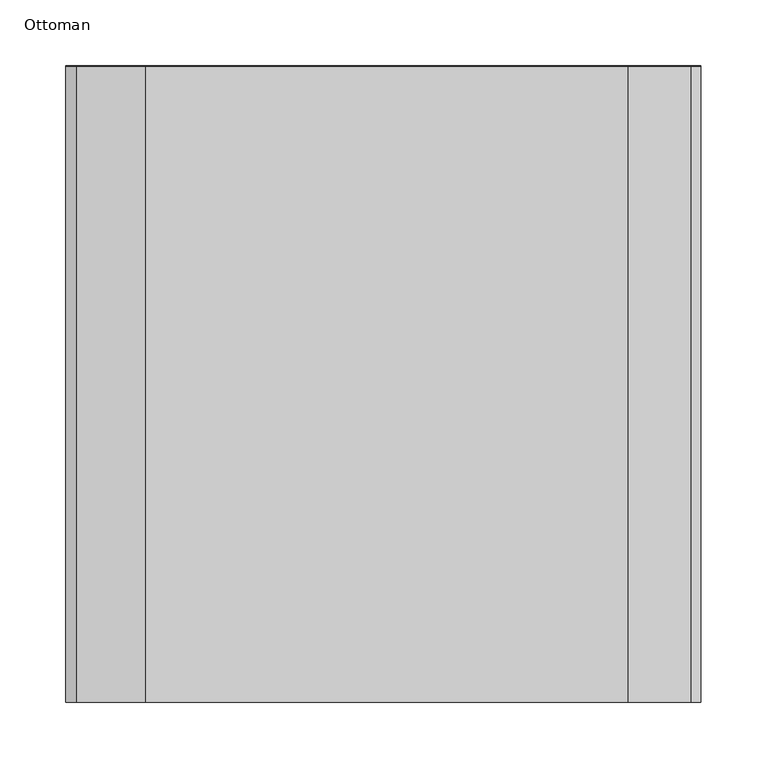
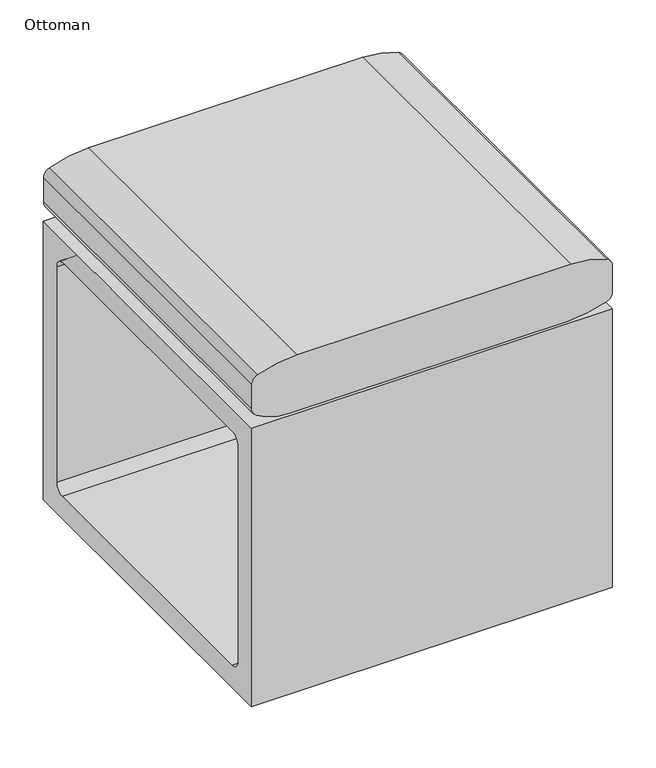
"""IFC4 building model written with IfcOpenShell, lengths in millimetres: furniture geometry, Ottoman."""

from ifc_helpers import new_model, si_unit, point, frame, frame_2d, origin, origin_with_axes, place, context, project, spatial, polyline, circle_curve, trimmed, segment, composite_curve, outline, extrude, source, transform, mapped, element, save


def ottoman_84f2c184(model_context):
    return source(origin(), model_context, "Body", "SweptSolid", [
        extrude(outline(polyline([(-250.825, 419.1), (231.775, 419.1), (231.775, 25.4000008), (-250.825, 25.4000008), (-250.825, 419.1)]), holes=[composite_curve([segment(trimmed(circle_curve(frame_2d((-206.8160349, 69.85)), 12.7), [point((-219.5160349, 69.85))], [point((-206.8160349, 57.15))], True, "CARTESIAN"), True, "CONTINUOUS"), segment(polyline([(-206.8160349, 57.15), (186.8839901, 57.15)]), True, "CONTINUOUS"), segment(trimmed(circle_curve(frame_2d((186.8839901, 69.85)), 12.7), [point((186.8839901, 57.15))], [point((199.5839901, 69.85))], True, "CARTESIAN"), True, "CONTINUOUS"), segment(polyline([(199.5839901, 69.85), (199.5839901, 374.6500121)]), True, "CONTINUOUS"), segment(trimmed(circle_curve(frame_2d((186.8839901, 374.6500121)), 12.7), [point((199.5839901, 374.6500121))], [point((186.8839901, 387.3500121))], True, "CARTESIAN"), True, "CONTINUOUS"), segment(polyline([(186.8839901, 387.3500121), (-206.8160349, 387.3500121)]), True, "CONTINUOUS"), segment(trimmed(circle_curve(frame_2d((-206.8160349, 374.6500121)), 12.7), [point((-206.8160349, 387.3500121))], [point((-219.5160349, 374.6500121))], True, "CARTESIAN"), True, "CONTINUOUS"), segment(polyline([(-219.5160349, 374.6500121), (-219.5160349, 69.85)]), True, "CONTINUOUS")], self_intersect=False)]), frame((-205.9579489, 0.0, 0.0), z_axis=(1.0, 0.0, 0.0), x_axis=(0.0, 1.0, 0.0)), (0.0, 0.0, 1.0), 482.6),
        extrude(outline(polyline([(-108.326708, -98.6993524), (-105.1516837, -101.8743494), (-105.1516837, -146.3243524), (-108.326708, -149.4993494), (-152.7766837, -149.4993494), (-155.951708, -146.3243524), (-155.951708, -101.8743494), (-152.7766837, -98.6993524), (-108.326708, -98.6993524)])), frame((0.0, 0.0, 3.1750001), z_axis=(0.0, 0.0, 1.0), x_axis=(1.0, 0.0, 0.0)), (0.0, 0.0, 1.0), 22.2250007),
        extrude(outline(polyline([(-105.1516837, -95.5243463), (-101.9766959, -98.6993524), (-101.9766959, -149.4993494), (-105.1516837, -152.6743554), (-155.951708, -152.6743554), (-159.1266959, -149.4993494), (-159.1266959, -98.6993524), (-155.951708, -95.5243463), (-105.1516837, -95.5243463)])), origin_with_axes(), (0.0, 0.0, 1.0), 3.1750001),
        extrude(outline(polyline([(-108.326708, 129.9006749), (-105.1516837, 126.7256779), (-105.1516837, 82.2756749), (-108.326708, 79.1006779), (-152.7766837, 79.1006779), (-155.951708, 82.2756749), (-155.951708, 126.7256779), (-152.7766837, 129.9006749), (-108.326708, 129.9006749)])), frame((0.0, 0.0, 3.1750001), z_axis=(0.0, 0.0, 1.0), x_axis=(1.0, 0.0, 0.0)), (0.0, 0.0, 1.0), 22.2250007),
        extrude(outline(polyline([(-105.1516837, 133.0756809), (-101.9766959, 129.9006749), (-101.9766959, 79.1006779), (-105.1516837, 75.9256718), (-155.951708, 75.9256718), (-159.1266959, 79.1006779), (-159.1266959, 129.9006749), (-155.951708, 133.0756809), (-105.1516837, 133.0756809)])), origin_with_axes(), (0.0, 0.0, 1.0), 3.1750001),
        extrude(outline(composite_curve([segment(trimmed(circle_curve(frame_2d((47118.7994971, 36.7520046)), 46695.9719496), [point((423.2259712, -156.1453888))], [point((423.1742839, 216.7027244))], False, "CARTESIAN"), True, "CONTINUOUS"), segment(trimmed(circle_curve(frame_2d((575.5731522, 216.1154256)), 152.4), [point((423.1742839, 216.7027244))], [point((432.4083736, 268.3610585))], False, "CARTESIAN"), True, "CONTINUOUS"), segment(trimmed(circle_curve(frame_2d((444.2455656, 264.0412699)), 12.6007813), [point((432.4083736, 268.3610585))], [point((444.2455656, 276.6420511))], False, "CARTESIAN"), True, "CONTINUOUS"), segment(polyline([(444.2455656, 276.6420511), (480.8494528, 276.6420511)]), True, "CONTINUOUS"), segment(trimmed(circle_curve(frame_2d((480.8494528, 264.0412699)), 12.6007813), [point((480.8494528, 276.6420511))], [point((492.4950973, 268.8536136))], False, "CARTESIAN"), True, "CONTINUOUS"), segment(trimmed(circle_curve(frame_2d((375.1216722, 220.351252)), 127.0), [point((492.4950973, 268.8536136))], [point((502.1206852, 220.8519524))], False, "CARTESIAN"), True, "CONTINUOUS"), segment(trimmed(circle_curve(frame_2d((-46193.4883538, 36.7520046)), 46695.9719496), [point((502.1206852, 220.8519524))], [point((502.128468, -145.3631921))], False, "CARTESIAN"), True, "CONTINUOUS"), segment(trimmed(circle_curve(frame_2d((349.729627, -144.7688291)), 152.4), [point((502.128468, -145.3631921))], [point((492.6287797, -197.7366701))], False, "CARTESIAN"), True, "CONTINUOUS"), segment(trimmed(circle_curve(frame_2d((480.8135502, -193.3571676)), 12.6007812), [point((492.6287797, -197.7366701))], [point((480.8135502, -205.9579489))], False, "CARTESIAN"), True, "CONTINUOUS"), segment(polyline([(480.8135502, -205.9579489), (446.7497, -205.9579489)]), True, "CONTINUOUS"), segment(trimmed(circle_curve(frame_2d((446.7497, -193.3571676)), 12.6007813), [point((446.7497, -205.9579489))], [point((436.1149821, -200.1160479))], False, "CARTESIAN"), True, "CONTINUOUS"), segment(trimmed(circle_curve(frame_2d((505.8373007, -155.804125)), 82.6120344), [point((436.1149821, -200.1160479))], [point((423.2259712, -156.1453888))], False, "CARTESIAN"), True, "CONTINUOUS")], self_intersect=False)), frame((0.0, -251.7070214, 0.0), z_axis=(0.0, 1.0, 0.0), x_axis=(0.0, 0.0, 1.0)), (0.0, 0.0, 1.0), 482.6),
        extrude(outline(polyline([(199.6482769, -98.6993524), (202.8233011, -101.8743494), (202.8233011, -146.3243524), (199.6482769, -149.4993494), (155.1983011, -149.4993494), (152.0232769, -146.3243524), (152.0232769, -101.8743494), (155.1983011, -98.6993524), (199.6482769, -98.6993524)])), frame((0.0, 0.0, 3.1750001), z_axis=(0.0, 0.0, 1.0), x_axis=(1.0, 0.0, 0.0)), (0.0, 0.0, 1.0), 22.2250007),
        extrude(outline(polyline([(202.8233011, -95.5243463), (205.998289, -98.6993524), (205.998289, -149.4993494), (202.8233011, -152.6743554), (152.0232769, -152.6743554), (148.848289, -149.4993494), (148.848289, -98.6993524), (152.0232769, -95.5243463), (202.8233011, -95.5243463)])), origin_with_axes(), (0.0, 0.0, 1.0), 3.1750001),
        extrude(outline(polyline([(199.6482769, 129.9006749), (202.8233011, 126.7256779), (202.8233011, 82.2756749), (199.6482769, 79.1006779), (155.1983011, 79.1006779), (152.0232769, 82.2756749), (152.0232769, 126.7256779), (155.1983011, 129.9006749), (199.6482769, 129.9006749)])), frame((0.0, 0.0, 3.1750001), z_axis=(0.0, 0.0, 1.0), x_axis=(1.0, 0.0, 0.0)), (0.0, 0.0, 1.0), 22.2250007),
        extrude(outline(polyline([(202.8233011, 133.0756809), (205.998289, 129.9006749), (205.998289, 79.1006779), (202.8233011, 75.9256718), (152.0232769, 75.9256718), (148.848289, 79.1006779), (148.848289, 129.9006749), (152.0232769, 133.0756809), (202.8233011, 133.0756809)])), origin_with_axes(), (0.0, 0.0, 1.0), 3.1750001),
    ])


if __name__ == "__main__":
    model = new_model("IFC4")
    model_context = context("Model", 3, world=origin())
    ifc_project = project(units=[si_unit("LENGTHUNIT", "METRE", prefix="MILLI")], contexts=[model_context])
    site = spatial("IfcSite", under=ifc_project)
    building = spatial("IfcBuilding", under=site)
    placement = place(None, origin())
    ottoman_shape = ottoman_84f2c184(model_context)
    element("IfcFurniture", 1, ObjectType="Ottoman", at=placement, inside=building, context=model_context, shape_type="MappedRepresentation", body=[
        mapped(ottoman_shape, transform((0.0, 0.0, 0.0), x_axis=(1.0, 0.0, 0.0), y_axis=(0.0, 1.0, 0.0), z_axis=(0.0, 0.0, 1.0))),
    ])
    save(model, "model.ifc")
